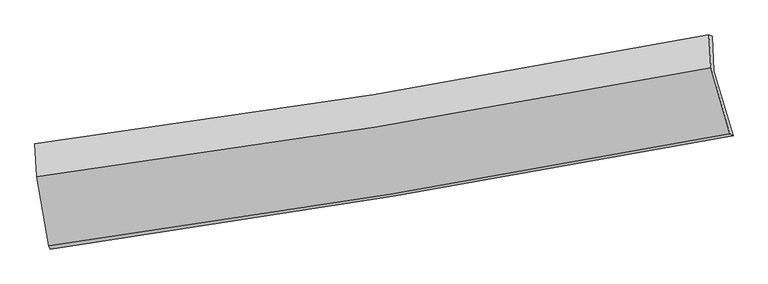
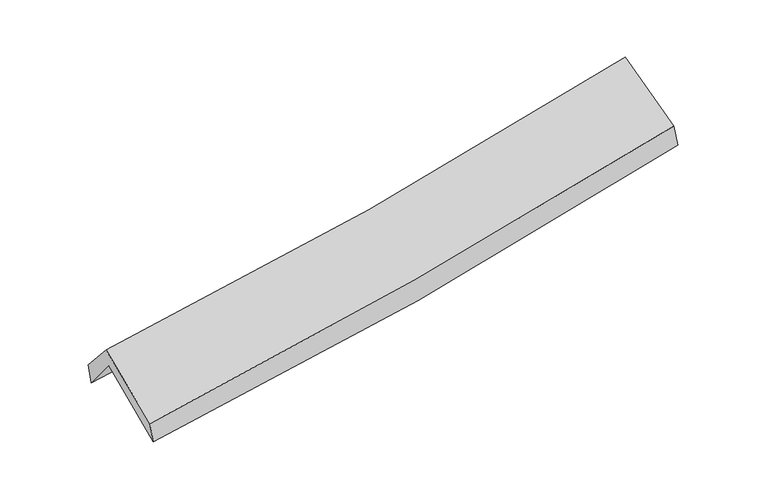
"""IFC4 building model written with IfcOpenShell, lengths in millimetres: proxy geometry."""

from ifc_helpers import new_model, si_unit, frame, origin, place, context, project, spatial, source, transform, mapped, element, save
from ifc_brep_helpers import plane_surface, spline_curve, spline_surface, advanced_brep


def generic_models_2ef97e2b(model_context):
    return source(origin(), model_context, "Body", "AdvancedBrep", [
        advanced_brep(
        [(-2487.1206817, -2495.635827, 1483.6959128), (-2578.552442, -1976.5048255, 1917.9425367), (2505.9666843, -1152.3968267, 2369.3846553), (2650.7175334, -1643.431327, 1947.6899843), (-2590.7573371, -1726.4677274, 1605.0579079), (2492.7108821, -895.290661, 2059.229607), (-2603.3558214, -1704.3263025, 1766.2342483), (2469.1898753, -884.4238816, 2241.066583), (-2589.5057056, -1953.2464482, 2049.846498), (2483.7639759, -1130.0774352, 2521.1997813), (-2499.9265321, -2470.2355243, 1641.586216), (2626.8667761, -1628.4761332, 2125.6050087)],
        [
            (0, 1),
            (1, 2, spline_curve(3, [(-2578.552442, -1976.5048255, 1917.9425367), (-1724.697439052, -1870.126605056, 1971.512341318), (-874.34090229, -1748.318056609, 2035.885046636), (820.508173513, -1473.656703542, 2186.336828991), (1664.991345535, -1320.76258591, 2272.44483007), (2505.9666843, -1152.3968267, 2369.3846553)], [4, 2, 4], [0.0, 8.526282567591286, 17.063971675509002])),
            (2, 3),
            (3, 0, spline_curve(3, [(2650.7175334, -1643.431327, 1947.6899843), (1799.548969347, -1805.245095965, 1837.013085028), (945.523391942, -1957.209914514, 1742.993743276), (-767.096975364, -2241.251782161, 1588.373532967), (-1625.68413643, -2373.355130077, 1527.728183916), (-2487.1206817, -2495.635827, 1483.6959128)], [4, 2, 4], [0.0, 8.537689107917716, 17.063971675509002])),
            (1, 4),
            (4, 5, spline_curve(3, [(-2590.7573371, -1726.4677274, 1605.0579079), (-1736.859740272, -1614.863324461, 1650.498869241), (-886.56935076, -1489.851636371, 1711.031597055), (807.929713416, -1212.828511035, 1862.381756499), (1652.128730502, -1060.781177194, 1953.239595056), (2492.7108821, -895.290661, 2059.229607)], [4, 2, 4], [0.0, 8.479216889656703, 16.96977735473701])),
            (5, 2),
            (4, 6),
            (6, 7, spline_curve(3, [(-2603.3558214, -1704.3263025, 1766.2342483), (-1751.762875898, -1595.129399378, 1824.428307636), (-903.534576523, -1472.260563805, 1893.061265407), (787.322997798, -1198.996362482, 2051.31076086), (1629.943263784, -1048.564390967, 2140.955248032), (2469.1898753, -884.4238816, 2241.066583)], [4, 2, 4], [0.0, 8.470519525020867, 16.952370990049825])),
            (7, 5),
            (6, 8),
            (8, 9, spline_curve(3, [(-2589.5057056, -1953.2464482, 2049.846498), (-1737.893460637, -1841.919352303, 2105.640476507), (-889.595253209, -1717.712856428, 2172.783058159), (801.503513511, -1443.357668582, 2329.87043428), (1644.295200033, -1293.17449376, 2419.845613784), (2483.7639759, -1130.0774352, 2521.1997813)], [4, 2, 4], [0.0, 8.462153598281649, 16.935627944556582])),
            (9, 7),
            (8, 10),
            (10, 11, spline_curve(3, [(-2499.9265321, -2470.2355243, 1641.586216), (-1640.68557122, -2352.963728574, 1701.75288982), (-784.116115108, -2224.235767606, 1772.137329285), (924.82214015, -1943.679976963, 1933.449569496), (1777.183786926, -1791.821473794, 2024.404727741), (2626.8667761, -1628.4761332, 2125.6050087)], [4, 2, 4], [0.0, 8.50918159014435, 17.029746842768034])),
            (11, 9),
            (10, 0),
            (3, 11),
        ],
        [
            spline_surface(3, 3, [[(-2487.1206817, -2495.635827, 1483.6959128), (-1625.684136386, -2373.355129938, 1527.728183907), (-767.096975386, -2241.251782033, 1588.373532867), (945.523391963, -1957.209914643, 1742.993743376), (1799.548969296, -1805.245095823, 1837.01308491), (2650.7175334, -1643.431327, 1947.6899843)], [(-2517.597935117, -2322.592159861, 1628.444787442), (-1658.688570556, -2205.61228835, 1675.656236392), (-802.844950965, -2076.940540216, 1737.544037468), (903.851652469, -1796.025510964, 1890.774771947), (1754.69642801, -1643.750925831, 1982.15699993), (2602.46725038, -1479.753160232, 2088.254874636)], [(-2548.075188583, -2149.548492639, 1773.193662058), (-1691.693004774, -2037.86944668, 1823.58428885), (-838.592926611, -1912.62929838, 1886.714542003), (862.179912908, -1634.841107266, 2038.555800453), (1709.843886684, -1482.256755842, 2127.300914941), (2554.21696732, -1316.074993468, 2228.819764964)], [(-2578.552442, -1976.5048255, 1917.9425367), (-1724.697438944, -1870.126605093, 1971.512341335), (-874.34090219, -1748.318056564, 2035.885046603), (820.508173414, -1473.656703587, 2186.336829023), (1664.991345398, -1320.762585849, 2272.444829961), (2505.9666843, -1152.3968267, 2369.3846553)]], [4, 4], [4, 2, 4], [0.0, 2.2015080995413414], [0.0, 8.526282567591286, 17.063971675509002]),
            spline_surface(3, 3, [[(-2578.552442, -1976.5048255, 1917.9425367), (-1724.697438944, -1870.126605093, 1971.512341335), (-874.34090219, -1748.318056564, 2035.885046603), (820.508173414, -1473.656703587, 2186.336829023), (1664.991345398, -1320.762585849, 2272.444829961), (2505.9666843, -1152.3968267, 2369.3846553)], [(-2582.62074038, -1893.159126119, 1813.647660419), (-1728.751539383, -1785.03884491, 1864.507850631), (-878.417051762, -1662.162583176, 1927.600563404), (816.315353438, -1386.713972739, 2078.351804868), (1660.703807105, -1234.102116249, 2166.043085026), (2501.548083566, -1066.69477145, 2265.999639195)], [(-2586.68903872, -1809.813426781, 1709.352784181), (-1732.805639782, -1699.951084768, 1757.503359968), (-882.493201297, -1576.00710977, 1819.3160802), (812.1225335, -1299.771241872, 1970.366780707), (1656.416268814, -1147.441646699, 2059.641340106), (2497.129482834, -980.99271625, 2162.614623105)], [(-2590.7573371, -1726.4677274, 1605.0579079), (-1736.859740221, -1614.863324585, 1650.498869264), (-886.569350869, -1489.851636382, 1711.031597002), (807.929713525, -1212.828511024, 1862.381756552), (1652.12873052, -1060.781177099, 1953.23959517), (2492.7108821, -895.290661, 2059.229607)]], [4, 4], [4, 2, 4], [0.0, 1.363855541756968], [0.0, 8.479216889656703, 16.96977735473701]),
            spline_surface(3, 3, [[(-2590.7573371, -1726.4677274, 1605.0579079), (-1736.859740221, -1614.863324585, 1650.498869264), (-886.569350869, -1489.851636382, 1711.031597002), (807.929713525, -1212.828511024, 1862.381756552), (1652.12873052, -1060.781177099, 1953.23959517), (2492.7108821, -895.290661, 2059.229607)], [(-2594.956831843, -1719.087252421, 1658.783354696), (-1741.827452123, -1608.285349535, 1708.475348671), (-892.224426029, -1483.987945553, 1771.708153067), (801.06080826, -1208.217794783, 1925.358091336), (1644.733574885, -1056.708915034, 2015.811479473), (2484.870546477, -891.668401215, 2119.841932326)], [(-2599.156326657, -1711.706777479, 1712.508801504), (-1746.795164097, -1601.707374522, 1766.451828089), (-897.879501241, -1478.12425477, 1832.384709215), (794.191902941, -1203.607078587, 1988.334426203), (1637.338419321, -1052.636652925, 2078.383363796), (2477.030210923, -888.046141385, 2180.454257674)], [(-2603.3558214, -1704.3263025, 1766.2342483), (-1751.762875999, -1595.129399471, 1824.428307495), (-903.534576401, -1472.260563941, 1893.06126528), (787.322997676, -1198.996362346, 2051.310760987), (1629.943263686, -1048.56439086, 2140.955248098), (2469.1898753, -884.4238816, 2241.066583)]], [4, 4], [4, 2, 4], [0.0, 0.6138246508672044], [0.0, 8.470519525020867, 16.952370990049825]),
            spline_surface(3, 3, [[(-2603.3558214, -1704.3263025, 1766.2342483), (-1751.762875999, -1595.129399471, 1824.428307495), (-903.534576401, -1472.260563941, 1893.06126528), (787.322997676, -1198.996362346, 2051.310760987), (1629.943263686, -1048.56439086, 2140.955248098), (2469.1898753, -884.4238816, 2241.066583)], [(-2598.73911614, -1787.299684406, 1860.771664879), (-1747.139737547, -1677.392717114, 1918.165697137), (-898.88813539, -1554.077994726, 1986.301862899), (792.049836282, -1280.450131135, 2144.163985449), (1634.727242494, -1130.10109182, 2233.918703308), (2474.047908844, -966.308399449, 2334.444315757)], [(-2594.12241086, -1870.273066294, 1955.309081421), (-1742.516599076, -1759.65603474, 2011.903086742), (-894.241694291, -1635.895425512, 2079.542460482), (796.776674976, -1361.903899924, 2237.017209875), (1639.51122127, -1211.637792835, 2326.882158547), (2478.905942356, -1048.192917351, 2427.822048543)], [(-2589.5057056, -1953.2464482, 2049.846498), (-1737.893460624, -1841.919352382, 2105.640476384), (-889.59525328, -1717.712856297, 2172.783058102), (801.503513582, -1443.357668712, 2329.870434337), (1644.295200078, -1293.174493795, 2419.845613758), (2483.7639759, -1130.0774352, 2521.1997813)]], [4, 4], [4, 2, 4], [0.0, 1.2192008297901353], [0.0, 8.462153598281649, 16.935627944556582]),
            spline_surface(3, 3, [[(-2589.5057056, -1953.2464482, 2049.846498), (-1737.893460624, -1841.919352382, 2105.640476384), (-889.59525328, -1717.712856297, 2172.783058102), (801.503513582, -1443.357668712, 2329.870434337), (1644.295200078, -1293.174493795, 2419.845613758), (2483.7639759, -1130.0774352, 2521.1997813)], [(-2559.645981095, -2125.576140228, 1913.759737328), (-1705.490830851, -2012.267477748, 1971.011280831), (-854.435540569, -1886.553826797, 2039.234481781), (842.609722485, -1610.131771458, 2197.730146083), (1688.591395678, -1459.390153847, 2288.031985101), (2531.464909306, -1296.210334548, 2389.334857114)], [(-2529.786256605, -2297.905832272, 1777.672976672), (-1673.088201092, -2182.615603129, 1836.382085295), (-819.27582791, -2055.394797208, 1905.685905494), (883.715931337, -1776.905874116, 2065.589857863), (1732.887591259, -1625.605813855, 2156.218356401), (2579.165842694, -1462.343233852, 2257.469932886)], [(-2499.9265321, -2470.2355243, 1641.586216), (-1640.685571319, -2352.963728496, 1701.752889743), (-784.116115199, -2224.235767708, 1772.137329173), (924.822140241, -1943.679976861, 1933.449569609), (1777.183786859, -1791.821473907, 2024.404727744), (2626.8667761, -1628.4761332, 2125.6050087)]], [4, 4], [4, 2, 4], [0.0, 2.1397177124341815], [0.0, 8.50918159014435, 17.029746842768034]),
            spline_surface(3, 3, [[(-2499.9265321, -2470.2355243, 1641.586216), (-1640.685571319, -2352.963728496, 1701.752889743), (-784.116115199, -2224.235767708, 1772.137329173), (924.822140241, -1943.679976861, 1933.449569609), (1777.183786859, -1791.821473907, 2024.404727744), (2626.8667761, -1628.4761332, 2125.6050087)], [(-2495.657915325, -2478.702291864, 1588.956114935), (-1635.685093033, -2359.760862307, 1643.744654466), (-778.44306861, -2229.907772456, 1710.882730408), (931.722557466, -1948.189956095, 1869.964294201), (1784.638847665, -1796.296014551, 1961.940846804), (2634.817028527, -1633.461197806, 2066.300000571)], [(-2491.389298475, -2487.169059436, 1536.326013865), (-1630.684614672, -2366.557996126, 1585.736419183), (-772.770021975, -2235.579777285, 1649.628131632), (938.622974738, -1952.699935409, 1806.479018784), (1792.09390849, -1800.770555179, 1899.47696585), (2642.767280973, -1638.446262394, 2006.994992429)], [(-2487.1206817, -2495.635827, 1483.6959128), (-1625.684136386, -2373.355129938, 1527.728183907), (-767.096975386, -2241.251782033, 1588.373532867), (945.523391963, -1957.209914643, 1742.993743376), (1799.548969296, -1805.245095823, 1837.01308491), (2650.7175334, -1643.431327, 1947.6899843)]], [4, 4], [4, 2, 4], [0.0, 0.6190341087157212], [0.0, 8.564672109956213, 17.140802118126615]),
            plane_surface(frame((2538.2026212, -1222.3493775, 2210.6959366), z_axis=(0.9752647977245297, 0.18884968756085116, 0.11486674813670525), x_axis=(0.21941292306415308, -0.7641717354345586, -0.6065472182405744))),
            plane_surface(frame((-2558.2030866, -2054.4027758, 1744.0605533), z_axis=(-0.9904521749224228, -0.12392271410545262, -0.060395778993079595), x_axis=(-0.07982091372957067, 0.15832415018199525, 0.9841555188081432))),
        ],
        [
            (0, [[1, 2, 3, 4]]),
            (1, [[5, 6, 7, -2]]),
            (2, [[8, 9, 10, -6]]),
            (3, [[11, 12, 13, -9]]),
            (4, [[14, 15, 16, -12]]),
            (5, [[17, -4, 18, -15]]),
            (6, [[-16, -18, -3, -7, -10, -13]]),
            (7, [[-17, -14, -11, -8, -5, -1]]),
        ],
    ),
    ])


if __name__ == "__main__":
    model = new_model("IFC4")
    model_context = context("Model", 3, world=origin())
    ifc_project = project(units=[si_unit("LENGTHUNIT", "METRE", prefix="MILLI")], contexts=[model_context])
    site = spatial("IfcSite", under=ifc_project)
    building = spatial("IfcBuilding", under=site)
    placement = place(None, origin())
    generic_models_shape = generic_models_2ef97e2b(model_context)
    element("IfcBuildingElementProxy", 1, Name="Generic Models", at=placement, inside=building, context=model_context, shape_type="MappedRepresentation", body=[
        mapped(generic_models_shape, transform((0.0, 0.0, 0.0), x_axis=(1.0, 0.0, 0.0), y_axis=(0.0, 1.0, 0.0), z_axis=(0.0, 0.0, 1.0))),
    ])
    save(model, "model.ifc")
